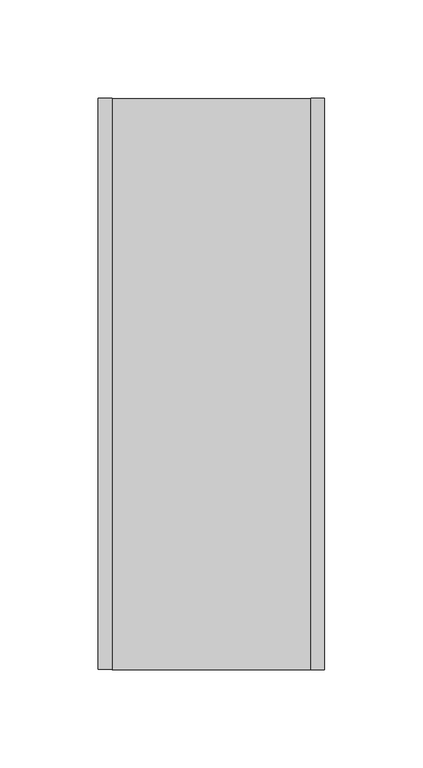
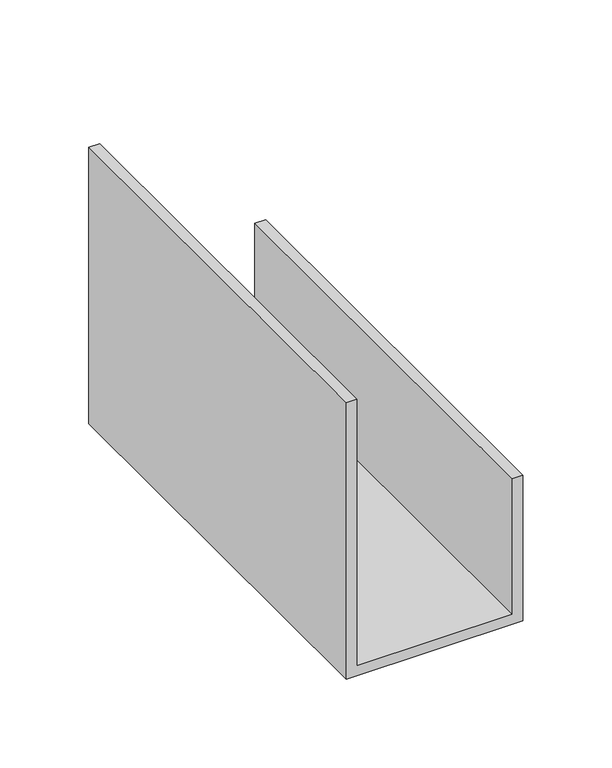
"""IFC4 building model written with IfcOpenShell, lengths in millimetres: proxy geometry."""

from ifc_helpers import new_model, si_unit, frame, origin, place, context, project, spatial, polyline, outline, extrude, source, transform, mapped, element, save


def generic_models_845aa810(model_context):
    return source(origin(), model_context, "Body", "SweptSolid", [
        extrude(outline(polyline([(0.0, 115.0), (100.0, 115.0), (100.0, 108.0), (7.0, 108.0), (7.0, 7.0), (190.0, 7.0), (190.0, 0.0), (0.0, 0.0), (0.0, 115.0)])), frame((0.0, 0.0, 0.0), z_axis=(0.0, 1.0, 0.0), x_axis=(0.0, 0.0, 1.0)), (0.0, 0.0, 1.0), 290.0),
    ])


if __name__ == "__main__":
    model = new_model("IFC4")
    model_context = context("Model", 3, world=origin())
    ifc_project = project(units=[si_unit("LENGTHUNIT", "METRE", prefix="MILLI")], contexts=[model_context])
    site = spatial("IfcSite", under=ifc_project)
    building = spatial("IfcBuilding", under=site)
    placement = place(None, origin())
    generic_models_shape = generic_models_845aa810(model_context)
    element("IfcBuildingElementProxy", 1, Name="Generic Models", at=placement, inside=building, context=model_context, shape_type="MappedRepresentation", body=[
        mapped(generic_models_shape, transform((0.0, 0.0, 0.0), x_axis=(1.0, 0.0, 0.0), y_axis=(0.0, 1.0, 0.0), z_axis=(0.0, 0.0, 1.0))),
    ])
    save(model, "model.ifc")
